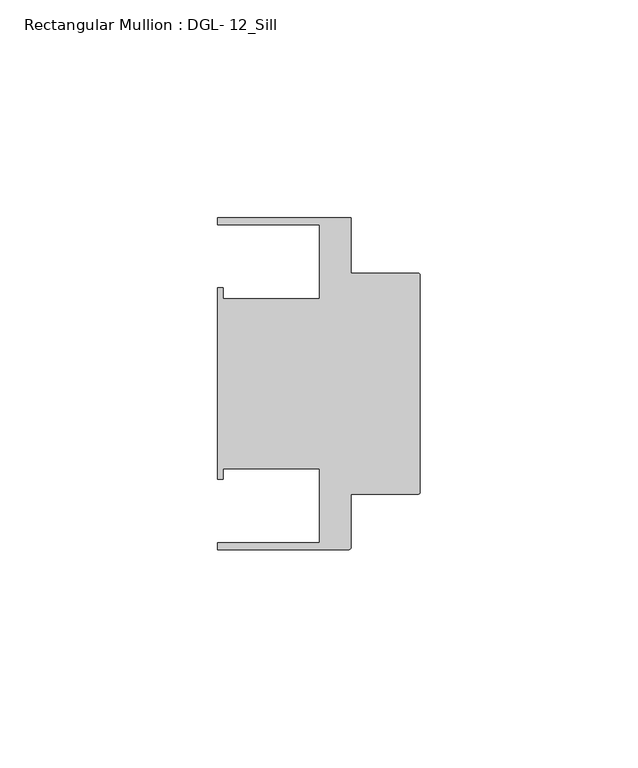
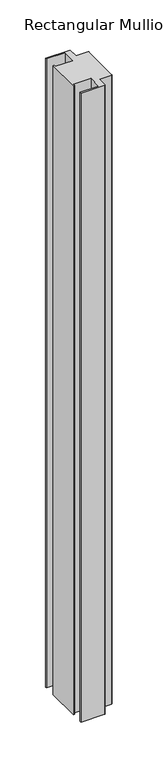
"""IFC4 building model written with IfcOpenShell, lengths in millimetres: member geometry, Rectangular Mullion : DGL- 12_Sill."""

from ifc_helpers import new_model, si_unit, point, frame, frame_2d, origin, place, context, project, spatial, polyline, circle_curve, trimmed, segment, composite_curve, outline, extrude, source, transform, mapped, element, save


def rectangular_mullion_dgl_12_sill_4a483e05(model_context):
    return source(origin(), model_context, "Body", "SweptSolid", [
        extrude(outline(composite_curve([segment(trimmed(circle_curve(frame_2d((-0.5953125, 24.8046875)), 0.5953125), [point((-0.5953125, 25.4))], [point((0.0, 24.8046875))], False, "CARTESIAN"), True, "CONTINUOUS"), segment(polyline([(0.0, 24.8046875), (0.0, -24.8046875)]), True, "CONTINUOUS"), segment(trimmed(circle_curve(frame_2d((-0.5953125, -24.8046875)), 0.5953125), [point((0.0, -24.8046875))], [point((-0.5953125, -25.4))], False, "CARTESIAN"), True, "CONTINUOUS"), segment(polyline([(-0.5953125, -25.4), (-15.8750672, -25.4), (-15.8750672, -37.5047035)]), True, "CONTINUOUS"), segment(trimmed(circle_curve(frame_2d((-16.4703797, -37.5047035)), 0.5953125), [point((-15.8750672, -37.5047035))], [point((-16.4703797, -38.100016))], False, "CARTESIAN"), True, "CONTINUOUS"), segment(polyline([(-16.4703797, -38.100016), (-46.54296, -38.100016), (-46.54296, -36.512516), (-23.1202791, -36.512516), (-23.1202791, -19.4824275), (-45.2865266, -19.4824275), (-45.2865266, -21.9710976), (-46.54296, -21.9710976), (-46.54296, 21.9710976), (-45.2865266, 21.9710976), (-45.2865266, 19.4824275), (-23.1202791, 19.4824275), (-23.1202791, 36.512516), (-46.54296, 36.512516), (-46.54296, 38.0996792), (-15.8750672, 38.0996792), (-15.8750672, 25.4), (-0.5953125, 25.4)]), True, "CONTINUOUS")], self_intersect=False)), frame((0.0, 0.0, -834.7263895), z_axis=(0.0, 0.0, 1.0), x_axis=(1.0, 0.0, 0.0)), (0.0, 0.0, 1.0), 834.7263895),
    ])


if __name__ == "__main__":
    model = new_model("IFC4")
    model_context = context("Model", 3, world=origin())
    ifc_project = project(units=[si_unit("LENGTHUNIT", "METRE", prefix="MILLI")], contexts=[model_context])
    site = spatial("IfcSite", under=ifc_project)
    building = spatial("IfcBuilding", under=site)
    placement = place(None, origin())
    rectangular_mullion_dgl_12_sill_shape = rectangular_mullion_dgl_12_sill_4a483e05(model_context)
    element("IfcMember", 1, ObjectType="Rectangular Mullion : DGL- 12_Sill", at=placement, inside=building, context=model_context, shape_type="MappedRepresentation", body=[
        mapped(rectangular_mullion_dgl_12_sill_shape, transform((0.0, 0.0, 0.0), x_axis=(1.0, 0.0, 0.0), y_axis=(0.0, 1.0, 0.0), z_axis=(0.0, 0.0, 1.0))),
    ])
    save(model, "model.ifc")
